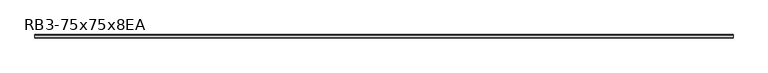
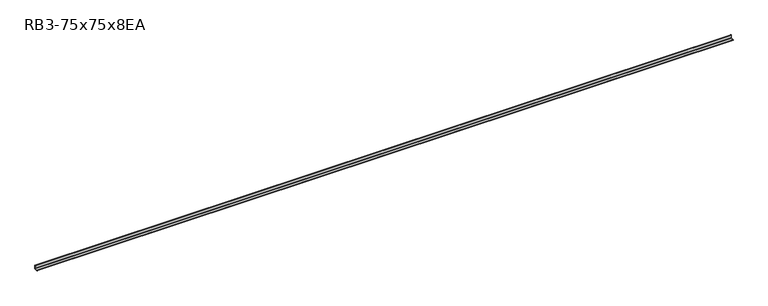
"""IFC4 building model written with IfcOpenShell, lengths in millimetres: member geometry, RB3-75x75x8EA."""

from ifc_helpers import new_model, si_unit, point, frame, frame_2d, origin, place, context, project, spatial, polyline, circle_curve, trimmed, segment, composite_curve, outline, extrude, source, transform, mapped, element, save


def rb3_75x75x8ea_4edd4003(model_context):
    return source(origin(), model_context, "Body", "SweptSolid", [
        extrude(outline(composite_curve([segment(polyline([(21.3, -21.3), (-53.7, -21.3), (-53.7, -18.3)]), True, "CONTINUOUS"), segment(trimmed(circle_curve(frame_2d((-48.7, -18.3)), 5.0), [point((-53.7, -18.3))], [point((-48.7, -13.3))], False, "CARTESIAN"), True, "CONTINUOUS"), segment(polyline([(-48.7, -13.3), (5.3, -13.3)]), True, "CONTINUOUS"), segment(trimmed(circle_curve(frame_2d((5.3, -5.3)), 8.0), [point((5.3, -13.3))], [point((13.3, -5.3))], True, "CARTESIAN"), True, "CONTINUOUS"), segment(polyline([(13.3, -5.3), (13.3, 48.7)]), True, "CONTINUOUS"), segment(trimmed(circle_curve(frame_2d((18.3, 48.7)), 5.0), [point((13.3, 48.7))], [point((18.3, 53.7))], False, "CARTESIAN"), True, "CONTINUOUS"), segment(polyline([(18.3, 53.7), (21.3, 53.7), (21.3, -21.3)]), True, "CONTINUOUS")], self_intersect=False)), frame((-7608.0, 0.0, 0.0), z_axis=(1.0, 0.0, 0.0), x_axis=(0.0, 1.0, 0.0)), (0.0, 0.0, 1.0), 15221.0),
    ])


if __name__ == "__main__":
    model = new_model("IFC4")
    model_context = context("Model", 3, world=origin())
    ifc_project = project(units=[si_unit("LENGTHUNIT", "METRE", prefix="MILLI")], contexts=[model_context])
    site = spatial("IfcSite", under=ifc_project)
    building = spatial("IfcBuilding", under=site)
    placement = place(None, origin())
    rb3_75x75x8ea_shape = rb3_75x75x8ea_4edd4003(model_context)
    element("IfcMember", 1, ObjectType="RB3-75x75x8EA", at=placement, inside=building, context=model_context, shape_type="MappedRepresentation", body=[
        mapped(rb3_75x75x8ea_shape, transform((0.0, 0.0, 0.0), x_axis=(1.0, 0.0, 0.0), y_axis=(0.0, 1.0, 0.0), z_axis=(0.0, 0.0, 1.0))),
    ])
    save(model, "model.ifc")
